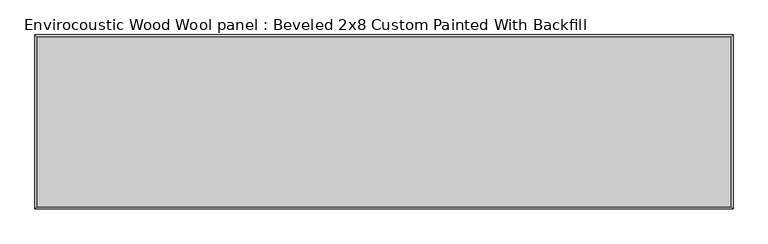
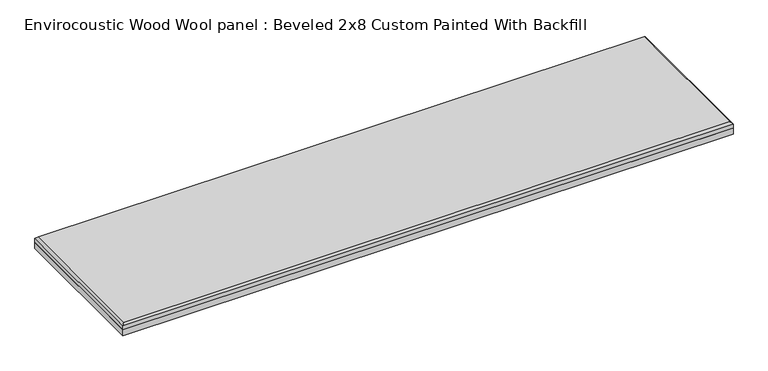
"""IFC4 building model written with IfcOpenShell, lengths in millimetres: proxy geometry, Envirocoustic Wood Wool panel : Beveled 2x8 Custom Painted With Backfill."""

from ifc_helpers import new_model, si_unit, origin, origin_with_axes, place, context, project, spatial, polyline, outline, extrude, faceted_brep, source, transform, mapped, element, save


def envirocoustic_wood_wool_panel_beveled_2x8_custom_painted_f9f8b967(model_context):
    return source(origin(), model_context, "Body", "SolidModel", [
        extrude(outline(polyline([(1219.2, 304.8), (1219.2, -304.8), (-1219.2, -304.8), (-1219.2, 304.8), (1219.2, 304.8)])), origin_with_axes(), (0.0, 0.0, 1.0), 25.4),
        faceted_brep([(1211.199, 296.799, 50.8), (-1211.199, 296.799, 50.8), (-1211.199, -296.799, 50.8), (1211.199, -296.799, 50.8), (-1219.2, 304.8, 25.4), (1219.2, 304.8, 25.4), (1219.2, -304.8, 25.4), (-1219.2, -304.8, 25.4), (-1219.2, -304.8, 42.799), (-1219.2, 304.8, 42.799), (1219.2, -304.8, 42.799), (1219.2, 304.8, 42.799)], [[[0, 1, 2, 3]], [[4, 5, 6, 7]], [[4, 7, 8, 9]], [[7, 6, 10, 8]], [[6, 5, 11, 10]], [[5, 4, 9, 11]], [[9, 1, 0, 11]], [[1, 9, 8, 2]], [[2, 8, 10, 3]], [[11, 0, 3, 10]]]),
    ])


if __name__ == "__main__":
    model = new_model("IFC4")
    model_context = context("Model", 3, world=origin())
    ifc_project = project(units=[si_unit("LENGTHUNIT", "METRE", prefix="MILLI")], contexts=[model_context])
    site = spatial("IfcSite", under=ifc_project)
    building = spatial("IfcBuilding", under=site)
    placement = place(None, origin())
    envirocoustic_wood_wool_panel_beveled_2x8_custom_painted_shape = envirocoustic_wood_wool_panel_beveled_2x8_custom_painted_f9f8b967(model_context)
    element("IfcBuildingElementProxy", 1, Name="Envirocoustic Wood Wool panel : Beveled 2x8 Custom Painted With Backfill", ObjectType="Envirocoustic Wood Wool panel : Beveled 2x8 Custom Painted With Backfill", at=placement, inside=building, context=model_context, shape_type="MappedRepresentation", body=[
        mapped(envirocoustic_wood_wool_panel_beveled_2x8_custom_painted_shape, transform((0.0, 0.0, 0.0), x_axis=(1.0, 0.0, 0.0), y_axis=(0.0, 1.0, 0.0), z_axis=(0.0, 0.0, 1.0))),
    ])
    save(model, "model.ifc")
